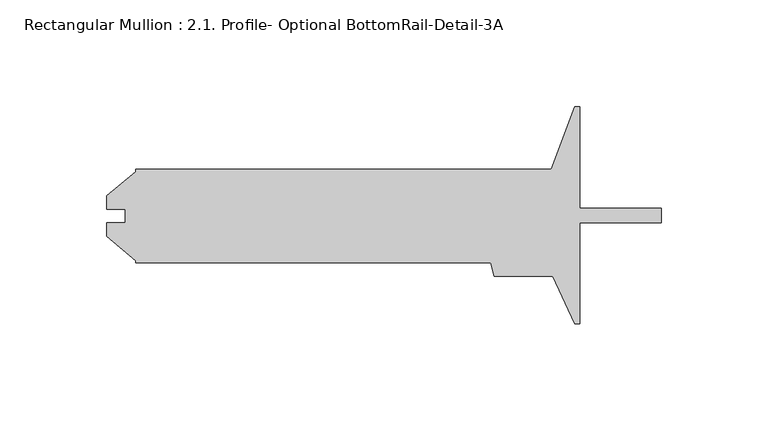
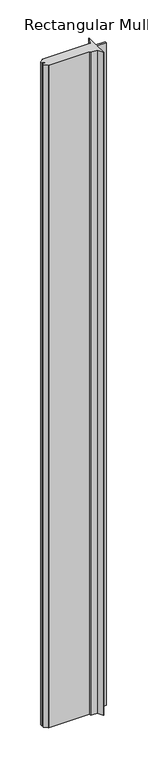
"""IFC4 building model written with IfcOpenShell, lengths in millimetres: member geometry, Rectangular Mullion : 2.1. Profile- Optional BottomRail-Detail-3A."""

from ifc_helpers import new_model, si_unit, frame, origin, place, context, project, spatial, polyline, outline, extrude, source, transform, mapped, element, save


def rectangular_mullion_2_1_profile_optional_bottomrail_detail_c2161037(model_context):
    return source(origin(), model_context, "Body", "SweptSolid", [
        extrude(outline(polyline([(-40.48125, 50.8), (-38.1, 50.8), (-38.1, 3.3655), (0.0, 3.3655), (0.0, -3.3655), (-38.1, -3.3655), (-38.1, -50.8), (-40.48125, -50.8), (-50.8, -28.575), (-78.0418226, -28.575), (-79.7433, -22.225), (-246.06377, -22.225), (-246.06377, -21.1584933), (-259.52577, -9.862534), (-259.52577, -3.4922555), (-250.83897, -3.4922555), (-250.83897, 2.8318555), (-259.52577, 2.8318555), (-259.52577, 9.202134), (-246.06377, 20.4980933), (-246.06377, 21.5646), (-51.3825856, 21.5646), (-40.48125, 50.8)])), frame((0.0, 0.0, -2857.5635785), z_axis=(0.0, 0.0, 1.0), x_axis=(1.0, 0.0, 0.0)), (0.0, 0.0, 1.0), 2857.5635785),
    ])


if __name__ == "__main__":
    model = new_model("IFC4")
    model_context = context("Model", 3, world=origin())
    ifc_project = project(units=[si_unit("LENGTHUNIT", "METRE", prefix="MILLI")], contexts=[model_context])
    site = spatial("IfcSite", under=ifc_project)
    building = spatial("IfcBuilding", under=site)
    placement = place(None, origin())
    rectangular_mullion_2_1_profile_optional_bottomrail_detail_shape = rectangular_mullion_2_1_profile_optional_bottomrail_detail_c2161037(model_context)
    element("IfcMember", 1, ObjectType="Rectangular Mullion : 2.1. Profile- Optional BottomRail-Detail-3A", at=placement, inside=building, context=model_context, shape_type="MappedRepresentation", body=[
        mapped(rectangular_mullion_2_1_profile_optional_bottomrail_detail_shape, transform((0.0, 0.0, 0.0), x_axis=(1.0, 0.0, 0.0), y_axis=(0.0, 1.0, 0.0), z_axis=(0.0, 0.0, 1.0))),
    ])
    save(model, "model.ifc")
